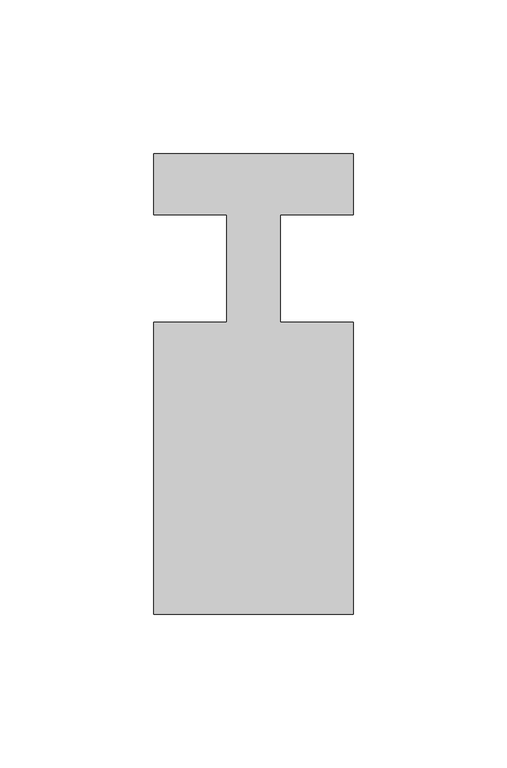
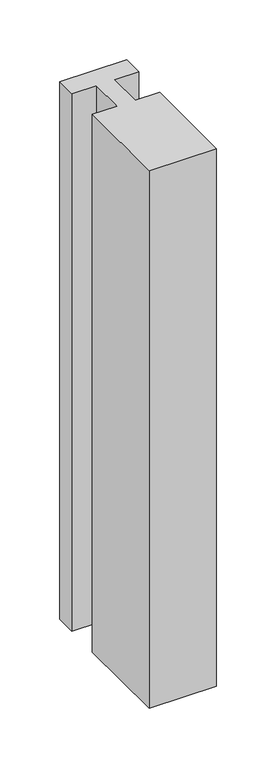
"""IFC4 building model written with IfcOpenShell, lengths in millimetres: member geometry."""

from ifc_helpers import new_model, si_unit, frame, origin, place, context, project, spatial, polyline, outline, extrude, source, transform, mapped, element, save


def member_4ed979ba(model_context):
    return source(origin(), model_context, "Body", "SweptSolid", [
        extrude(outline(polyline([(0.0, 37.0), (0.0, 17.0), (-23.8125, 17.0), (-23.8125, -18.0), (0.0, -18.0), (0.0, -113.0), (-65.0, -113.0), (-65.0, -18.0), (-41.1875, -18.0), (-41.1875, 17.0), (-65.0, 17.0), (-65.0, 37.0), (0.0, 37.0)])), frame((0.0, 0.0, -550.0), z_axis=(0.0, 0.0, 1.0), x_axis=(1.0, 0.0, 0.0)), (0.0, 0.0, 1.0), 550.0),
    ])


if __name__ == "__main__":
    model = new_model("IFC4")
    model_context = context("Model", 3, world=origin())
    ifc_project = project(units=[si_unit("LENGTHUNIT", "METRE", prefix="MILLI")], contexts=[model_context])
    site = spatial("IfcSite", under=ifc_project)
    building = spatial("IfcBuilding", under=site)
    placement = place(None, origin())
    member_shape = member_4ed979ba(model_context)
    element("IfcMember", 1, at=placement, inside=building, context=model_context, shape_type="MappedRepresentation", body=[
        mapped(member_shape, transform((0.0, 0.0, 0.0), x_axis=(1.0, 0.0, 0.0), y_axis=(0.0, 1.0, 0.0), z_axis=(0.0, 0.0, 1.0))),
    ])
    save(model, "model.ifc")
